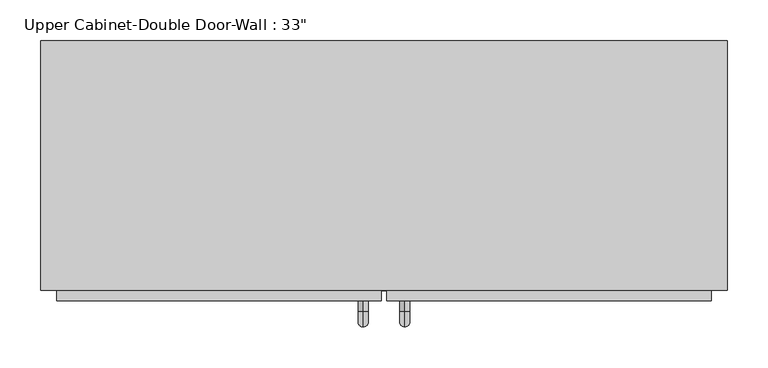
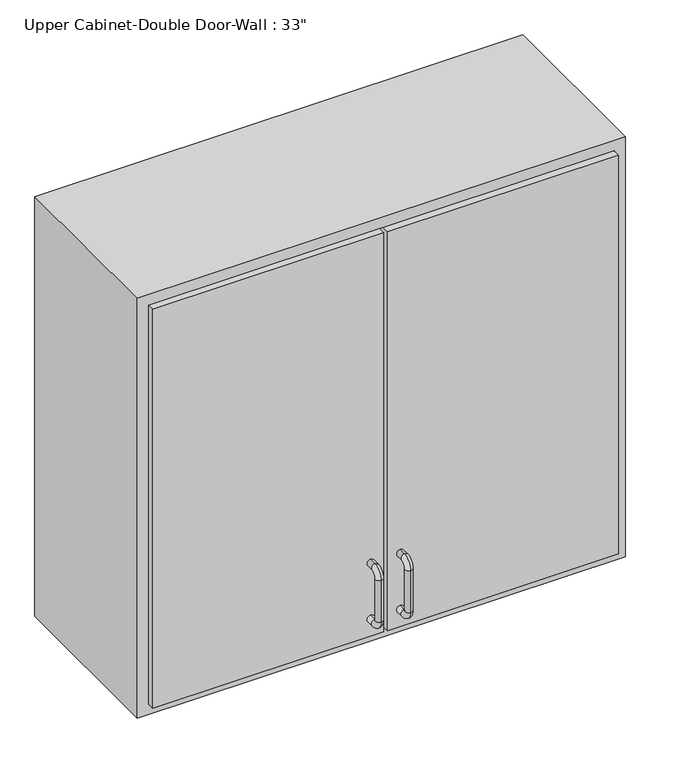
"""IFC4 building model written with IfcOpenShell, lengths in millimetres: furniture geometry."""

from ifc_helpers import new_model, si_unit, point, frame, origin, place, context, project, spatial, polyline, circle_curve, ellipse_curve, trimmed, outline, extrude, faceted_brep, source, transform, mapped, element, save
from ifc_brep_helpers import plane_surface, cylinder_surface, revolved_surface, advanced_brep


def furniture_d05236cc(model_context):
    return source(origin(), model_context, "Body", "SolidModel", [
        faceted_brep([(-389.3288372, -63.5, 2133.6), (448.8711628, -63.5, 2133.6), (448.8711628, -63.5, 1371.6), (-389.3288372, -63.5, 1371.6), (-389.3288372, -368.3, 2133.6), (-389.3288372, -368.3, 1371.6), (448.8711628, -368.3, 1371.6), (448.8711628, -368.3, 2133.6), (-370.2788372, -368.3, 2114.55), (429.8211628, -368.3, 2114.55), (429.8211628, -368.3, 1390.65), (-370.2788372, -368.3, 1390.65), (-370.2788372, -82.55, 2114.55), (429.8211628, -82.55, 2114.55), (429.8211628, -82.55, 1390.65), (-370.2788372, -82.55, 1390.65)], [[[0, 1, 2, 3]], [[4, 5, 6, 7], [8, 9, 10, 11]], [[3, 5, 4, 0]], [[2, 6, 5, 3]], [[1, 7, 6, 2]], [[0, 4, 7, 1]], [[8, 12, 13, 9]], [[9, 13, 14, 10]], [[10, 14, 15, 11]], [[11, 15, 12, 8]], [[12, 15, 14, 13]]]),
        advanced_brep(
        [(55.1711628, -381.0, 1517.65), (55.1711628, -381.0, 1530.35), (55.1711628, -393.7, 1530.35), (55.1711628, -393.7, 1517.65), (55.1711628, -412.75, 1511.3), (55.1711628, -400.05, 1511.3), (55.1711628, -412.75, 1435.1), (55.1711628, -400.05, 1435.1), (55.1711628, -393.7, 1416.05), (55.1711628, -393.7, 1428.75), (55.1711628, -381.0, 1428.75), (55.1711628, -381.0, 1416.05)],
        [
            (0, 1, circle_curve(frame((55.1711628, -381.0, 1524.0), z_axis=(0.0, 1.0, 0.0), x_axis=(0.0, 0.0, -1.0)), 6.35)),
            (1, 0, circle_curve(frame((55.1711628, -381.0, 1524.0), z_axis=(0.0, 1.0, 0.0), x_axis=(0.0, 0.0, -1.0)), 6.35)),
            (1, 2),
            (2, 3, circle_curve(frame((55.1711628, -393.7, 1524.0), z_axis=(0.0, 1.0, 0.0), x_axis=(0.0, 0.0, -1.0)), 6.35)),
            (3, 0),
            (3, 2, circle_curve(frame((55.1711628, -393.7, 1524.0), z_axis=(0.0, 1.0, 0.0), x_axis=(0.0, 0.0, -1.0)), 6.35)),
            (4, 5, circle_curve(frame((55.1711628, -406.4, 1511.3), z_axis=(0.0, 0.0, 1.0), x_axis=(0.0, 1.0, 0.0)), 6.35)),
            (5, 3, circle_curve(frame((55.1711628, -393.7, 1511.3), z_axis=(-1.0, 0.0, 0.0), x_axis=(0.0, 0.0, 1.0)), 6.35)),
            (2, 4, circle_curve(frame((55.1711628, -393.7, 1511.3), z_axis=(1.0, 0.0, 0.0), x_axis=(0.0, 0.0, 1.0)), 19.05)),
            (5, 4, circle_curve(frame((55.1711628, -406.4, 1511.3), z_axis=(0.0, 0.0, 1.0), x_axis=(0.0, 1.0, 0.0)), 6.35)),
            (4, 6),
            (6, 7, circle_curve(frame((55.1711628, -406.4, 1435.1), z_axis=(0.0, 0.0, 1.0), x_axis=(0.0, 1.0, 0.0)), 6.35)),
            (7, 5),
            (7, 6, circle_curve(frame((55.1711628, -406.4, 1435.1), z_axis=(0.0, 0.0, 1.0), x_axis=(0.0, 1.0, 0.0)), 6.35)),
            (8, 9, circle_curve(frame((55.1711628, -393.7, 1422.4), z_axis=(0.0, -1.0, 0.0), x_axis=(0.0, 0.0, 1.0)), 6.35)),
            (9, 7, circle_curve(frame((55.1711628, -393.7, 1435.1), z_axis=(-1.0, 0.0, 0.0), x_axis=(0.0, -1.0, 0.0)), 6.35)),
            (6, 8, circle_curve(frame((55.1711628, -393.7, 1435.1), z_axis=(1.0, 0.0, 0.0), x_axis=(0.0, -1.0, 0.0)), 19.05)),
            (9, 8, circle_curve(frame((55.1711628, -393.7, 1422.4), z_axis=(0.0, -1.0, 0.0), x_axis=(0.0, 0.0, 1.0)), 6.35)),
            (10, 11, circle_curve(frame((55.1711628, -381.0, 1422.4), z_axis=(0.0, 1.0, 0.0), x_axis=(0.0, 0.0, 1.0)), 6.35)),
            (11, 10, circle_curve(frame((55.1711628, -381.0, 1422.4), z_axis=(0.0, 1.0, 0.0), x_axis=(0.0, 0.0, 1.0)), 6.35)),
            (8, 11),
            (10, 9),
        ],
        [
            plane_surface(frame((48.8211628, -381.0, 1524.0), z_axis=(0.0, 1.0, 0.0), x_axis=(0.0, 0.0, 1.0))),
            cylinder_surface(frame((55.1711628, -381.0, 1524.0), z_axis=(0.0, 1.0, 0.0), x_axis=(0.0, 0.0, -1.0)), 6.35),
            revolved_surface(trimmed(ellipse_curve(frame((55.1711628, -393.7, 1524.0), z_axis=(0.0, -1.0, 0.0), x_axis=(0.0, 0.0, -1.0)), 6.35, 6.35), [point((55.1711628, -393.7, 1517.65))], [point((55.1711628, -393.7, 1530.35))], True, "CARTESIAN"), (55.1711628, -393.7, 1511.3), (-1.0, 0.0, 0.0)),
            revolved_surface(trimmed(ellipse_curve(frame((55.1711628, -393.7, 1524.0), z_axis=(0.0, -1.0, 0.0), x_axis=(0.0, 0.0, -1.0)), 6.35, 6.35), [point((55.1711628, -393.7, 1530.35))], [point((55.1711628, -393.7, 1517.65))], True, "CARTESIAN"), (55.1711628, -393.7, 1511.3), (-1.0, 0.0, 0.0)),
            cylinder_surface(frame((55.1711628, -406.4, 1511.3), z_axis=(0.0, 0.0, 1.0), x_axis=(0.0, 1.0, 0.0)), 6.35),
            revolved_surface(trimmed(ellipse_curve(frame((55.1711628, -406.4, 1435.1), z_axis=(0.0, 0.0, -1.0), x_axis=(0.0, 1.0, 0.0)), 6.35, 6.35), [point((55.1711628, -400.05, 1435.1))], [point((55.1711628, -412.75, 1435.1))], True, "CARTESIAN"), (55.1711628, -393.7, 1435.1), (-1.0, 0.0, 0.0)),
            revolved_surface(trimmed(ellipse_curve(frame((55.1711628, -406.4, 1435.1), z_axis=(0.0, 0.0, -1.0), x_axis=(0.0, 1.0, 0.0)), 6.35, 6.35), [point((55.1711628, -412.75, 1435.1))], [point((55.1711628, -400.05, 1435.1))], True, "CARTESIAN"), (55.1711628, -393.7, 1435.1), (-1.0, 0.0, 0.0)),
            plane_surface(frame((48.8211628, -381.0, 1422.4), z_axis=(0.0, 1.0, 0.0), x_axis=(0.0, 0.0, -1.0))),
            cylinder_surface(frame((55.1711628, -393.7, 1422.4), z_axis=(0.0, -1.0, 0.0), x_axis=(0.0, 0.0, 1.0)), 6.35),
        ],
        [
            (0, [[1, 2]]),
            (1, [[3, 4, 5, -2]]),
            (1, [[-5, 6, -3, -1]]),
            (2, [[7, 8, -4, 9]]),
            (3, [[10, -9, -6, -8]]),
            (4, [[11, 12, 13, -7]]),
            (4, [[-13, 14, -11, -10]]),
            (5, [[15, 16, -12, 17]]),
            (6, [[18, -17, -14, -16]]),
            (7, [[19, 20]]),
            (8, [[21, -19, 22, -15]]),
            (8, [[-22, -20, -21, -18]]),
        ],
    ),
        advanced_brep(
        [(4.3711628, -381.0, 1517.65), (4.3711628, -381.0, 1530.35), (4.3711628, -393.7, 1530.35), (4.3711628, -393.7, 1517.65), (4.3711628, -412.75, 1511.3), (4.3711628, -400.05, 1511.3), (4.3711628, -412.75, 1435.1), (4.3711628, -400.05, 1435.1), (4.3711628, -393.7, 1416.05), (4.3711628, -393.7, 1428.75), (4.3711628, -381.0, 1428.75), (4.3711628, -381.0, 1416.05)],
        [
            (0, 1, circle_curve(frame((4.3711628, -381.0, 1524.0), z_axis=(0.0, 1.0, 0.0), x_axis=(0.0, 0.0, 1.0)), 6.35)),
            (1, 0, circle_curve(frame((4.3711628, -381.0, 1524.0), z_axis=(0.0, 1.0, 0.0), x_axis=(0.0, 0.0, 1.0)), 6.35)),
            (1, 2),
            (2, 3, circle_curve(frame((4.3711628, -393.7, 1524.0), z_axis=(0.0, 1.0, 0.0), x_axis=(0.0, 0.0, 1.0)), 6.35)),
            (3, 0),
            (3, 2, circle_curve(frame((4.3711628, -393.7, 1524.0), z_axis=(0.0, 1.0, 0.0), x_axis=(0.0, 0.0, 1.0)), 6.35)),
            (4, 5, circle_curve(frame((4.3711628, -406.4, 1511.3), z_axis=(0.0, 0.0, 1.0), x_axis=(0.0, -1.0, 0.0)), 6.35)),
            (5, 3, circle_curve(frame((4.3711628, -393.7, 1511.3), z_axis=(-1.0, 0.0, 0.0), x_axis=(0.0, 0.0, 1.0)), 6.35)),
            (2, 4, circle_curve(frame((4.3711628, -393.7, 1511.3), z_axis=(1.0, 0.0, 0.0), x_axis=(0.0, 0.0, 1.0)), 19.05)),
            (5, 4, circle_curve(frame((4.3711628, -406.4, 1511.3), z_axis=(0.0, 0.0, 1.0), x_axis=(0.0, -1.0, 0.0)), 6.35)),
            (4, 6),
            (6, 7, circle_curve(frame((4.3711628, -406.4, 1435.1), z_axis=(0.0, 0.0, 1.0), x_axis=(0.0, -1.0, 0.0)), 6.35)),
            (7, 5),
            (7, 6, circle_curve(frame((4.3711628, -406.4, 1435.1), z_axis=(0.0, 0.0, 1.0), x_axis=(0.0, -1.0, 0.0)), 6.35)),
            (8, 9, circle_curve(frame((4.3711628, -393.7, 1422.4), z_axis=(0.0, -1.0, 0.0), x_axis=(0.0, 0.0, -1.0)), 6.35)),
            (9, 7, circle_curve(frame((4.3711628, -393.7, 1435.1), z_axis=(-1.0, 0.0, 0.0), x_axis=(0.0, -1.0, 0.0)), 6.35)),
            (6, 8, circle_curve(frame((4.3711628, -393.7, 1435.1), z_axis=(1.0, 0.0, 0.0), x_axis=(0.0, -1.0, 0.0)), 19.05)),
            (9, 8, circle_curve(frame((4.3711628, -393.7, 1422.4), z_axis=(0.0, -1.0, 0.0), x_axis=(0.0, 0.0, -1.0)), 6.35)),
            (10, 11, circle_curve(frame((4.3711628, -381.0, 1422.4), z_axis=(0.0, 1.0, 0.0), x_axis=(0.0, 0.0, -1.0)), 6.35)),
            (11, 10, circle_curve(frame((4.3711628, -381.0, 1422.4), z_axis=(0.0, 1.0, 0.0), x_axis=(0.0, 0.0, -1.0)), 6.35)),
            (8, 11),
            (10, 9),
        ],
        [
            plane_surface(frame((-1.9788372, -381.0, 1524.0), z_axis=(0.0, 1.0, 0.0), x_axis=(0.0, 0.0, 1.0))),
            cylinder_surface(frame((4.3711628, -381.0, 1524.0), z_axis=(0.0, 1.0, 0.0), x_axis=(0.0, 0.0, 1.0)), 6.35),
            revolved_surface(trimmed(ellipse_curve(frame((4.3711628, -393.7, 1524.0), z_axis=(0.0, -1.0, 0.0), x_axis=(0.0, 0.0, 1.0)), 6.35, 6.35), [point((4.3711628, -393.7, 1517.65))], [point((4.3711628, -393.7, 1530.35))], True, "CARTESIAN"), (4.3711628, -393.7, 1511.3), (-1.0, 0.0, 0.0)),
            revolved_surface(trimmed(ellipse_curve(frame((4.3711628, -393.7, 1524.0), z_axis=(0.0, -1.0, 0.0), x_axis=(0.0, 0.0, 1.0)), 6.35, 6.35), [point((4.3711628, -393.7, 1530.35))], [point((4.3711628, -393.7, 1517.65))], True, "CARTESIAN"), (4.3711628, -393.7, 1511.3), (-1.0, 0.0, 0.0)),
            cylinder_surface(frame((4.3711628, -406.4, 1511.3), z_axis=(0.0, 0.0, 1.0), x_axis=(0.0, -1.0, 0.0)), 6.35),
            revolved_surface(trimmed(ellipse_curve(frame((4.3711628, -406.4, 1435.1), z_axis=(0.0, 0.0, -1.0), x_axis=(0.0, -1.0, 0.0)), 6.35, 6.35), [point((4.3711628, -400.05, 1435.1))], [point((4.3711628, -412.75, 1435.1))], True, "CARTESIAN"), (4.3711628, -393.7, 1435.1), (-1.0, 0.0, 0.0)),
            revolved_surface(trimmed(ellipse_curve(frame((4.3711628, -406.4, 1435.1), z_axis=(0.0, 0.0, -1.0), x_axis=(0.0, -1.0, 0.0)), 6.35, 6.35), [point((4.3711628, -412.75, 1435.1))], [point((4.3711628, -400.05, 1435.1))], True, "CARTESIAN"), (4.3711628, -393.7, 1435.1), (-1.0, 0.0, 0.0)),
            plane_surface(frame((-1.9788372, -381.0, 1422.4), z_axis=(0.0, 1.0, 0.0), x_axis=(0.0, 0.0, -1.0))),
            cylinder_surface(frame((4.3711628, -393.7, 1422.4), z_axis=(0.0, -1.0, 0.0), x_axis=(0.0, 0.0, -1.0)), 6.35),
        ],
        [
            (0, [[1, 2]]),
            (1, [[3, 4, 5, -2]]),
            (1, [[-5, 6, -3, -1]]),
            (2, [[7, 8, -4, 9]]),
            (3, [[10, -9, -6, -8]]),
            (4, [[11, 12, 13, -7]]),
            (4, [[-13, 14, -11, -10]]),
            (5, [[15, 16, -12, 17]]),
            (6, [[18, -17, -14, -16]]),
            (7, [[19, 20]]),
            (8, [[21, -19, 22, -15]]),
            (8, [[-22, -20, -21, -18]]),
        ],
    ),
        extrude(outline(polyline([(32.9461628, -381.0), (32.9461628, -349.25), (429.8211628, -349.25), (429.8211628, -381.0), (32.9461628, -381.0)])), frame((0.0, 0.0, 1390.65), z_axis=(0.0, 0.0, 1.0), x_axis=(1.0, 0.0, 0.0)), (0.0, 0.0, 1.0), 723.9),
        extrude(outline(polyline([(-370.2788372, -381.0), (-370.2788372, -349.25), (26.5961628, -349.25), (26.5961628, -381.0), (-370.2788372, -381.0)])), frame((0.0, 0.0, 1390.65), z_axis=(0.0, 0.0, 1.0), x_axis=(1.0, 0.0, 0.0)), (0.0, 0.0, 1.0), 723.9),
    ])


if __name__ == "__main__":
    model = new_model("IFC4")
    model_context = context("Model", 3, world=origin())
    ifc_project = project(units=[si_unit("LENGTHUNIT", "METRE", prefix="MILLI")], contexts=[model_context])
    site = spatial("IfcSite", under=ifc_project)
    building = spatial("IfcBuilding", under=site)
    placement = place(None, origin())
    furniture_shape = furniture_d05236cc(model_context)
    element("IfcFurniture", 1, ObjectType="Upper Cabinet-Double Door-Wall : 33\"", at=placement, inside=building, context=model_context, shape_type="MappedRepresentation", body=[
        mapped(furniture_shape, transform((0.0, 0.0, 0.0), x_axis=(1.0, 0.0, 0.0), y_axis=(0.0, 1.0, 0.0), z_axis=(0.0, 0.0, 1.0))),
    ])
    save(model, "model.ifc")
